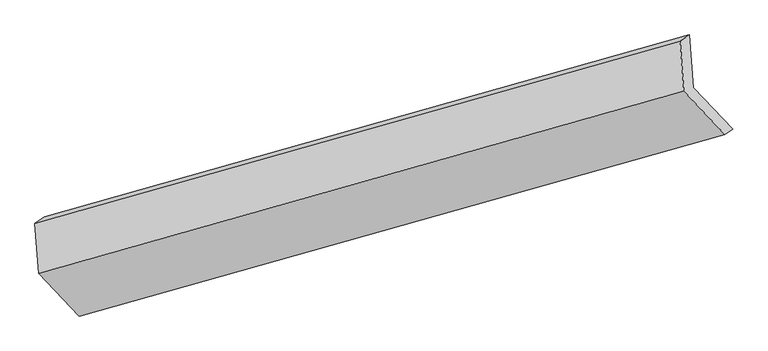
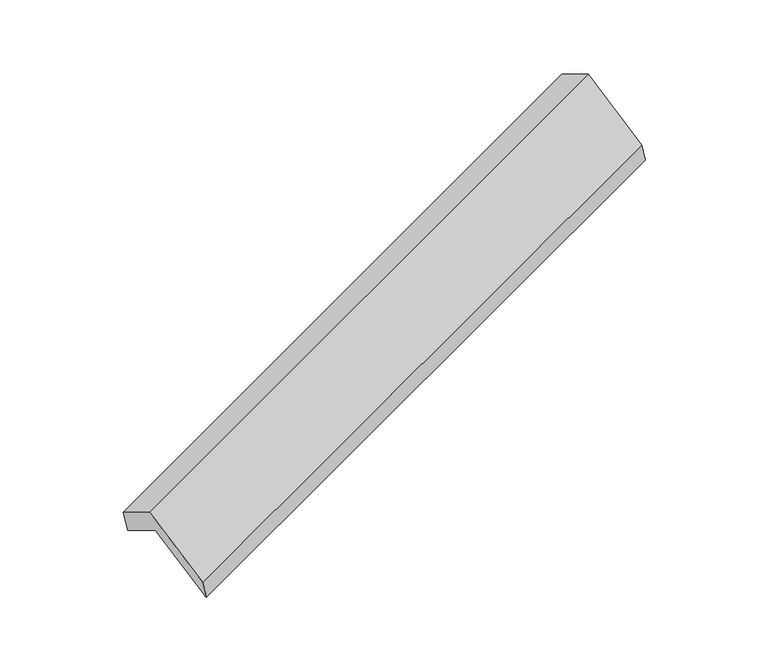
"""IFC4 building model written with IfcOpenShell, lengths in millimetres: proxy geometry."""

from ifc_helpers import new_model, si_unit, origin, place, context, project, spatial, faceted_brep, source, transform, mapped, element, save


def generic_models_4a005969(model_context):
    return source(origin(), model_context, "Body", "Brep", [
        faceted_brep([(-5092.1644309, -2130.6694167, 1276.7060165), (-5118.1677604, -1774.5344716, 1071.7831461), (-754.6099106, -541.7641584, 2660.505551), (-728.6065812, -897.8991035, 2865.4284215), (-5180.9924385, -1816.8656281, 1279.376124), (-817.4345888, -584.0953149, 2868.0985289), (-5156.2523087, -2155.7001146, 1474.3441734), (-792.6944589, -922.9298015, 3063.0665783), (-4882.5504403, -2444.2690846, 938.1099606), (-514.8929959, -1215.8210502, 2518.8004771), (-4830.7613461, -2406.2715503, 764.5674688), (-463.1039018, -1177.8235159, 2345.2579854)], [[[0, 1, 2, 3]], [[1, 4, 5, 2]], [[4, 6, 7, 5]], [[6, 8, 9, 7]], [[8, 10, 11, 9]], [[10, 0, 3, 11]], [[9, 11, 3, 2, 5, 7]], [[0, 10, 8, 6, 4, 1]]]),
    ])


if __name__ == "__main__":
    model = new_model("IFC4")
    model_context = context("Model", 3, world=origin())
    ifc_project = project(units=[si_unit("LENGTHUNIT", "METRE", prefix="MILLI")], contexts=[model_context])
    site = spatial("IfcSite", under=ifc_project)
    building = spatial("IfcBuilding", under=site)
    placement = place(None, origin())
    generic_models_shape = generic_models_4a005969(model_context)
    element("IfcBuildingElementProxy", 1, Name="Generic Models", at=placement, inside=building, context=model_context, shape_type="MappedRepresentation", body=[
        mapped(generic_models_shape, transform((0.0, 0.0, 0.0), x_axis=(1.0, 0.0, 0.0), y_axis=(0.0, 1.0, 0.0), z_axis=(0.0, 0.0, 1.0))),
    ])
    save(model, "model.ifc")
